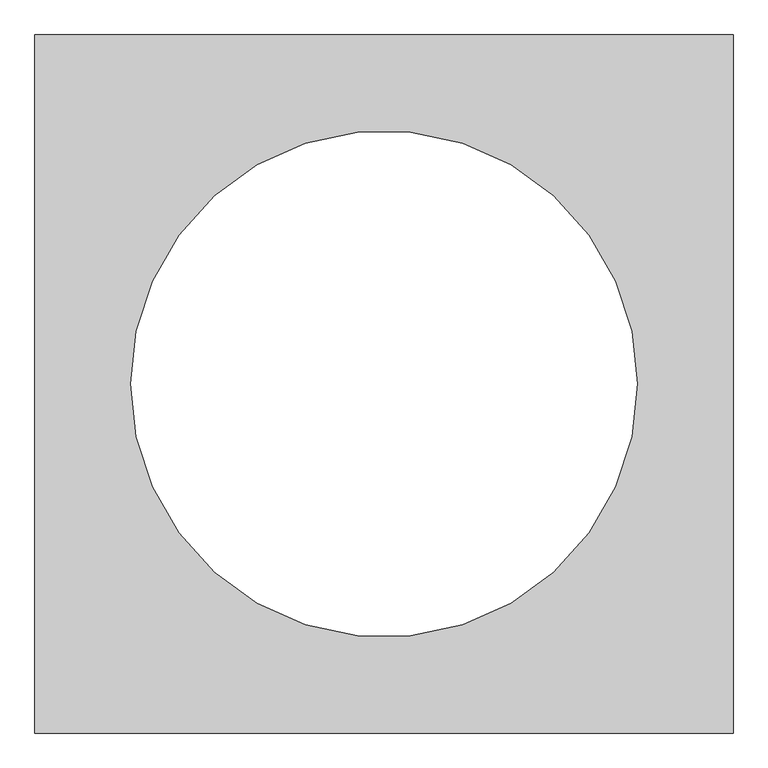
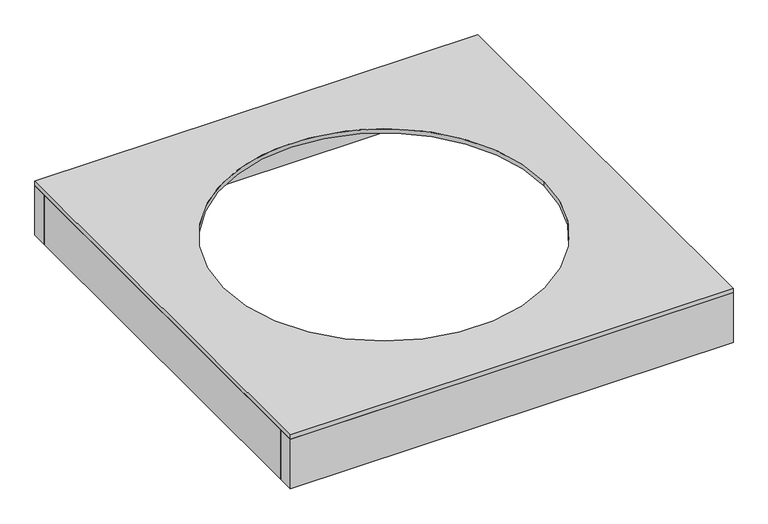
"""IFC4 building model written with IfcOpenShell, lengths in millimetres: proxy geometry."""

from ifc_helpers import new_model, si_unit, point, frame, frame_2d, origin, origin_with_axes, place, context, project, spatial, polyline, circle_curve, trimmed, segment, composite_curve, outline, extrude, source, transform, mapped, element, save


def generic_models_c63f132f(model_context):
    return source(origin(), model_context, "Body", "SweptSolid", [
        extrude(outline(polyline([(1755.0, -555.0), (1710.0, -555.0), (1710.0, 555.0), (1755.0, 555.0), (1755.0, -555.0)])), origin_with_axes(), (0.0, 0.0, 1.0), 142.0),
        extrude(outline(polyline([(1755.0, 600.0), (1755.0, -600.0), (555.0, -600.0), (555.0, 600.0), (1755.0, 600.0)]), holes=[composite_curve([segment(trimmed(circle_curve(frame_2d((1155.0, 0.0)), 435.0), [point((720.0, 0.0))], [point((1590.0, 0.0))], True, "CARTESIAN"), True, "CONTINUOUS"), segment(trimmed(circle_curve(frame_2d((1155.0, 0.0)), 435.0), [point((1590.0, 0.0))], [point((720.0, 0.0))], True, "CARTESIAN"), True, "CONTINUOUS")], self_intersect=False)]), frame((0.0, 0.0, 142.0), z_axis=(0.0, 0.0, 1.0), x_axis=(1.0, 0.0, 0.0)), (0.0, 0.0, 1.0), 12.0),
        extrude(outline(polyline([(1755.0, -600.0), (555.0, -600.0), (555.0, -555.0), (1755.0, -555.0), (1755.0, -600.0)])), origin_with_axes(), (0.0, 0.0, 1.0), 142.0),
        extrude(outline(polyline([(555.0, 600.0), (1755.0, 600.0), (1755.0, 555.0), (555.0, 555.0), (555.0, 600.0)])), origin_with_axes(), (0.0, 0.0, 1.0), 142.0),
        extrude(outline(polyline([(600.0, -555.0), (555.0, -555.0), (555.0, 555.0), (600.0, 555.0), (600.0, -555.0)])), origin_with_axes(), (0.0, 0.0, 1.0), 142.0),
    ])


if __name__ == "__main__":
    model = new_model("IFC4")
    model_context = context("Model", 3, world=origin())
    ifc_project = project(units=[si_unit("LENGTHUNIT", "METRE", prefix="MILLI")], contexts=[model_context])
    site = spatial("IfcSite", under=ifc_project)
    building = spatial("IfcBuilding", under=site)
    placement = place(None, origin())
    generic_models_shape = generic_models_c63f132f(model_context)
    element("IfcBuildingElementProxy", 1, Name="Generic Models", at=placement, inside=building, context=model_context, shape_type="MappedRepresentation", body=[
        mapped(generic_models_shape, transform((0.0, 0.0, 0.0), x_axis=(1.0, 0.0, 0.0), y_axis=(0.0, 1.0, 0.0), z_axis=(0.0, 0.0, 1.0))),
    ])
    save(model, "model.ifc")
